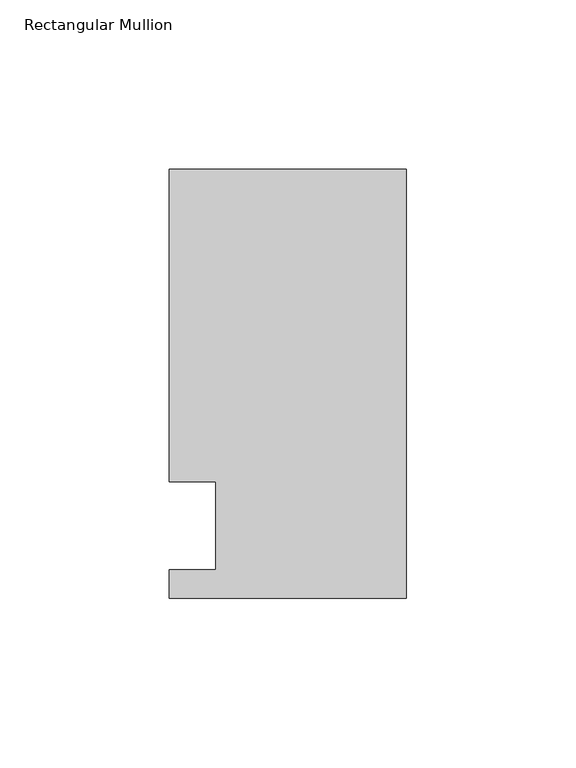
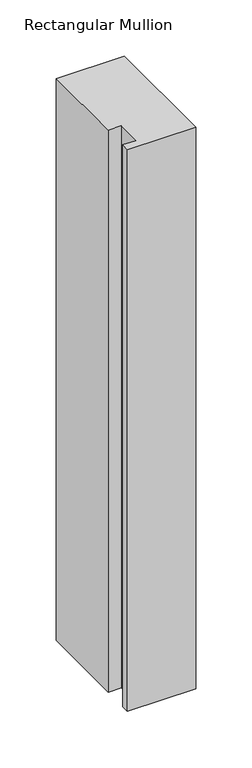
"""IFC4 building model written with IfcOpenShell, lengths in millimetres: member geometry, Rectangular Mullion."""

from ifc_helpers import new_model, si_unit, frame, origin, place, context, project, spatial, polyline, outline, extrude, source, transform, mapped, element, save


def rectangular_mullion_635c79d7(model_context):
    return source(origin(), model_context, "Body", "SweptSolid", [
        extrude(outline(polyline([(-69.85, -0.0111125), (-69.85, 8.3454875), (-56.2570313, 8.3454875), (-56.2570313, 34.3296875), (-69.85, 34.3296875), (-69.85, 126.4808875), (0.0, 126.4808875), (0.0, -0.0111125), (-69.85, -0.0111125)])), frame((0.0, 0.0, -609.6), z_axis=(0.0, 0.0, 1.0), x_axis=(1.0, 0.0, 0.0)), (0.0, 0.0, 1.0), 609.6),
    ])


if __name__ == "__main__":
    model = new_model("IFC4")
    model_context = context("Model", 3, world=origin())
    ifc_project = project(units=[si_unit("LENGTHUNIT", "METRE", prefix="MILLI")], contexts=[model_context])
    site = spatial("IfcSite", under=ifc_project)
    building = spatial("IfcBuilding", under=site)
    placement = place(None, origin())
    rectangular_mullion_shape = rectangular_mullion_635c79d7(model_context)
    element("IfcMember", 1, ObjectType="Rectangular Mullion", at=placement, inside=building, context=model_context, shape_type="MappedRepresentation", body=[
        mapped(rectangular_mullion_shape, transform((0.0, 0.0, 0.0), x_axis=(1.0, 0.0, 0.0), y_axis=(0.0, 1.0, 0.0), z_axis=(0.0, 0.0, 1.0))),
    ])
    save(model, "model.ifc")
